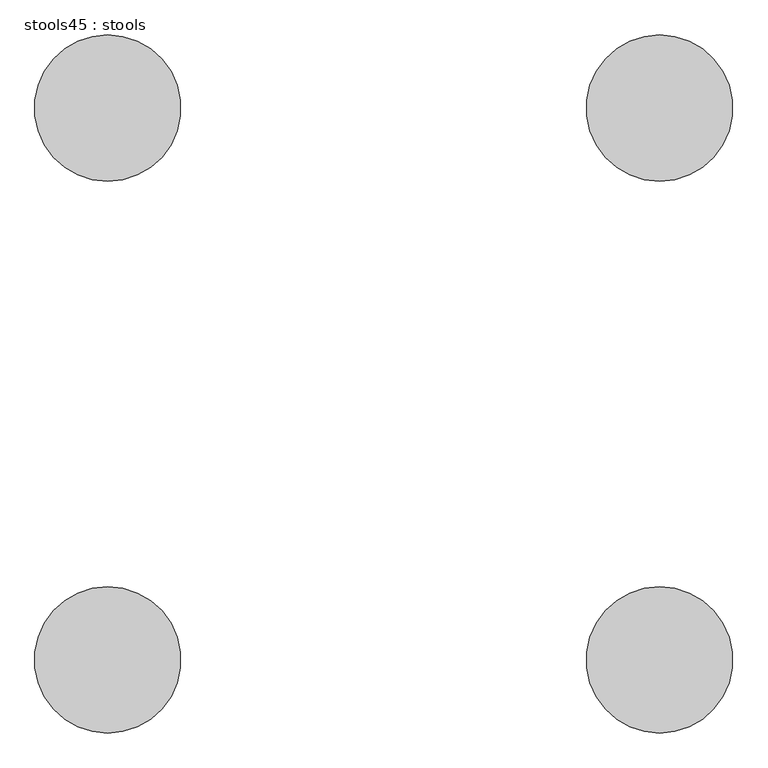
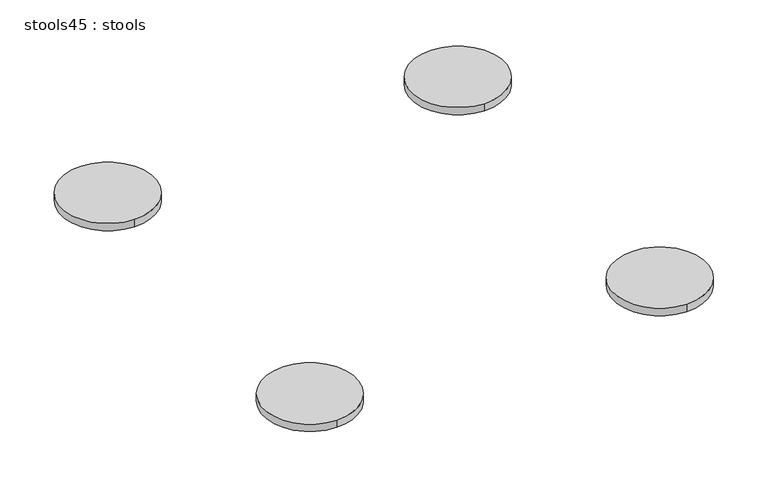
"""IFC4 building model written with IfcOpenShell, lengths in millimetres: furniture geometry, stools45 : stools."""

from ifc_helpers import new_model, si_unit, point, frame, frame_2d, origin, place, context, project, spatial, circle_curve, trimmed, segment, composite_curve, outline, extrude, source, transform, mapped, element, save


def stools45_stools_2ab4a252(model_context):
    return source(origin(), model_context, "Body", "SweptSolid", [
        extrude(outline(composite_curve([segment(trimmed(circle_curve(frame_2d((-232883.119087, -39289.4385307)), 152.4), [point((-232883.119087, -39137.0385307))], [point((-232883.119087, -39441.8385307))], False, "CARTESIAN"), True, "CONTINUOUS"), segment(trimmed(circle_curve(frame_2d((-232883.119087, -39289.4385307)), 152.4), [point((-232883.119087, -39441.8385307))], [point((-232883.119087, -39137.0385307))], False, "CARTESIAN"), True, "CONTINUOUS")], self_intersect=False)), frame((0.0, 0.0, 457.2), z_axis=(0.0, 0.0, 1.0), x_axis=(1.0, 0.0, 0.0)), (0.0, 0.0, 1.0), 25.4),
        extrude(outline(composite_curve([segment(trimmed(circle_curve(frame_2d((-234032.5918705, -39289.4385307)), 152.4), [point((-234032.5918705, -39137.0385307))], [point((-234032.5918705, -39441.8385307))], False, "CARTESIAN"), True, "CONTINUOUS"), segment(trimmed(circle_curve(frame_2d((-234032.5918705, -39289.4385307)), 152.4), [point((-234032.5918705, -39441.8385307))], [point((-234032.5918705, -39137.0385307))], False, "CARTESIAN"), True, "CONTINUOUS")], self_intersect=False)), frame((0.0, 0.0, 457.2), z_axis=(0.0, 0.0, 1.0), x_axis=(1.0, 0.0, 0.0)), (0.0, 0.0, 1.0), 25.4),
        extrude(outline(composite_curve([segment(trimmed(circle_curve(frame_2d((-232883.119087, -38139.9657472)), 152.4), [point((-232883.119087, -38292.3657472))], [point((-232883.119087, -37987.5657472))], False, "CARTESIAN"), True, "CONTINUOUS"), segment(trimmed(circle_curve(frame_2d((-232883.119087, -38139.9657472)), 152.4), [point((-232883.119087, -37987.5657472))], [point((-232883.119087, -38292.3657472))], False, "CARTESIAN"), True, "CONTINUOUS")], self_intersect=False)), frame((0.0, 0.0, 457.2), z_axis=(0.0, 0.0, 1.0), x_axis=(1.0, 0.0, 0.0)), (0.0, 0.0, 1.0), 25.4),
        extrude(outline(composite_curve([segment(trimmed(circle_curve(frame_2d((-234032.5918705, -38139.9657472)), 152.4), [point((-234032.5918705, -38292.3657472))], [point((-234032.5918705, -37987.5657472))], False, "CARTESIAN"), True, "CONTINUOUS"), segment(trimmed(circle_curve(frame_2d((-234032.5918705, -38139.9657472)), 152.4), [point((-234032.5918705, -37987.5657472))], [point((-234032.5918705, -38292.3657472))], False, "CARTESIAN"), True, "CONTINUOUS")], self_intersect=False)), frame((0.0, 0.0, 457.2), z_axis=(0.0, 0.0, 1.0), x_axis=(1.0, 0.0, 0.0)), (0.0, 0.0, 1.0), 25.4),
    ])


if __name__ == "__main__":
    model = new_model("IFC4")
    model_context = context("Model", 3, world=origin())
    ifc_project = project(units=[si_unit("LENGTHUNIT", "METRE", prefix="MILLI")], contexts=[model_context])
    site = spatial("IfcSite", under=ifc_project)
    building = spatial("IfcBuilding", under=site)
    placement = place(None, origin())
    stools45_stools_shape = stools45_stools_2ab4a252(model_context)
    element("IfcFurniture", 1, ObjectType="stools45 : stools", at=placement, inside=building, context=model_context, shape_type="MappedRepresentation", body=[
        mapped(stools45_stools_shape, transform((0.0, 0.0, 0.0), x_axis=(1.0, 0.0, 0.0), y_axis=(0.0, 1.0, 0.0), z_axis=(0.0, 0.0, 1.0))),
    ])
    save(model, "model.ifc")
